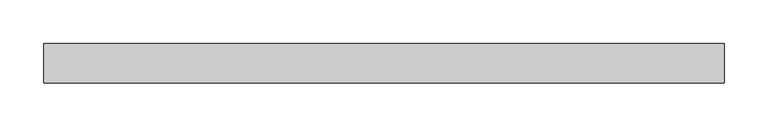
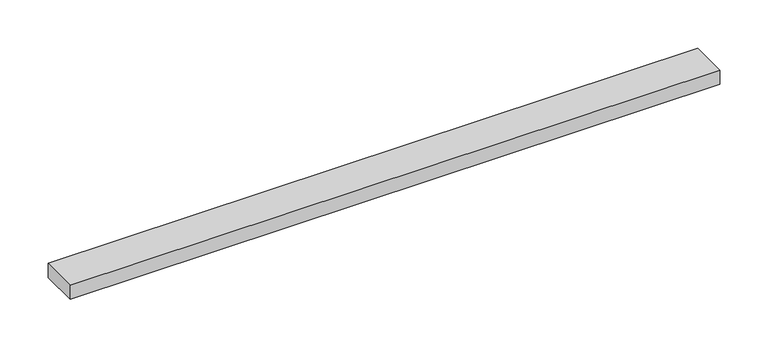
"""IFC4 building model written with IfcOpenShell, lengths in millimetres: beam geometry."""

from ifc_helpers import new_model, si_unit, frame, origin, place, context, project, spatial, polyline, outline, extrude, source, transform, mapped, element, save


def beam_3f86a1fb(model_context):
    return source(origin(), model_context, "Body", "SweptSolid", [
        extrude(outline(polyline([(-387.5, 22.5), (387.5, 22.5), (387.5, -22.5), (-387.5, -22.5), (-387.5, 22.5)])), frame((0.0, 0.0, -9.0), z_axis=(0.0, 0.0, 1.0), x_axis=(1.0, 0.0, 0.0)), (0.0, 0.0, 1.0), 18.0),
    ])


if __name__ == "__main__":
    model = new_model("IFC4")
    model_context = context("Model", 3, world=origin())
    ifc_project = project(units=[si_unit("LENGTHUNIT", "METRE", prefix="MILLI")], contexts=[model_context])
    site = spatial("IfcSite", under=ifc_project)
    building = spatial("IfcBuilding", under=site)
    placement = place(None, origin())
    beam_shape = beam_3f86a1fb(model_context)
    element("IfcBeam", 1, at=placement, inside=building, context=model_context, shape_type="MappedRepresentation", body=[
        mapped(beam_shape, transform((0.0, 0.0, 0.0), x_axis=(1.0, 0.0, 0.0), y_axis=(0.0, 1.0, 0.0), z_axis=(0.0, 0.0, 1.0))),
    ])
    save(model, "model.ifc")
